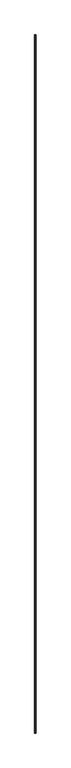
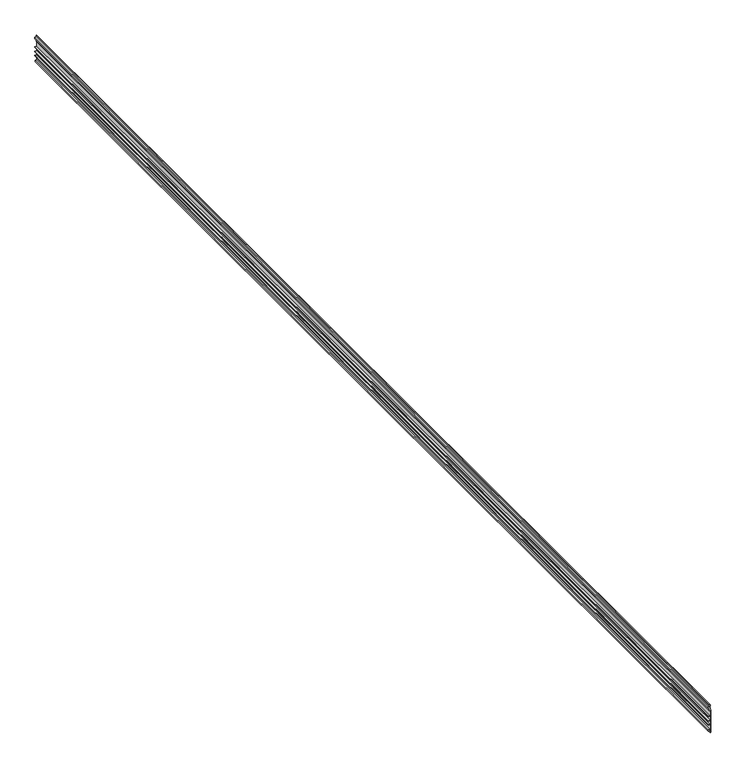
"""IFC4 building model written with IfcOpenShell, lengths in millimetres: proxy geometry."""

from ifc_helpers import new_model, si_unit, frame, origin, place, context, project, spatial, polyline, outline, extrude, source, transform, mapped, element, save


def generic_models_09014ac3(model_context):
    return source(origin(), model_context, "Body", "SweptSolid", [
        extrude(outline(polyline([(3879.8569019, 38255.1648517), (3879.8569019, 38258.3398517), (4013.2069019, 38258.3398517), (4013.2069019, 38255.1648517), (4025.9069019, 38255.1648517), (4028.4359786, 38249.7412292), (4032.9028252, 38249.7412292), (4035.4319019, 38255.1648517), (4044.9569019, 38255.1648517), (4044.9569019, 38251.9898517), (4037.4545999, 38251.9898517), (4034.6385724, 38245.9508611), (4026.7002314, 38245.9508611), (4023.8842038, 38251.9898517), (4010.0319019, 38251.9898517), (4010.0319019, 38255.1648517), (3979.0756519, 38255.1648517), (3979.0756519, 38245.6398517), (3975.9006519, 38245.6398517), (3975.9006519, 38255.1648517), (3953.6756519, 38255.1648517), (3953.6756519, 38245.6398517), (3950.5006519, 38245.6398517), (3950.5006519, 38255.1648517), (3928.2756519, 38255.1648517), (3928.2756519, 38245.6398517), (3925.1006519, 38245.6398517), (3925.1006519, 38255.1648517), (3899.7006519, 38255.1648517), (3899.7006519, 38246.3544132), (3890.1756519, 38246.3544132), (3890.1756519, 38250.2518612), (3896.5256519, 38250.2518612), (3896.5256519, 38255.1648517), (3879.8569019, 38255.1648517)])), frame((0.0, -25196.3529893, 0.0), z_axis=(0.0, 1.0, 0.0), x_axis=(0.0, 0.0, 1.0)), (0.0, 0.0, 1.0), 6533.92),
    ])


if __name__ == "__main__":
    model = new_model("IFC4")
    model_context = context("Model", 3, world=origin())
    ifc_project = project(units=[si_unit("LENGTHUNIT", "METRE", prefix="MILLI")], contexts=[model_context])
    site = spatial("IfcSite", under=ifc_project)
    building = spatial("IfcBuilding", under=site)
    placement = place(None, origin())
    generic_models_shape = generic_models_09014ac3(model_context)
    element("IfcBuildingElementProxy", 1, Name="Generic Models", at=placement, inside=building, context=model_context, shape_type="MappedRepresentation", body=[
        mapped(generic_models_shape, transform((0.0, 0.0, 0.0), x_axis=(1.0, 0.0, 0.0), y_axis=(0.0, 1.0, 0.0), z_axis=(0.0, 0.0, 1.0))),
    ])
    save(model, "model.ifc")
